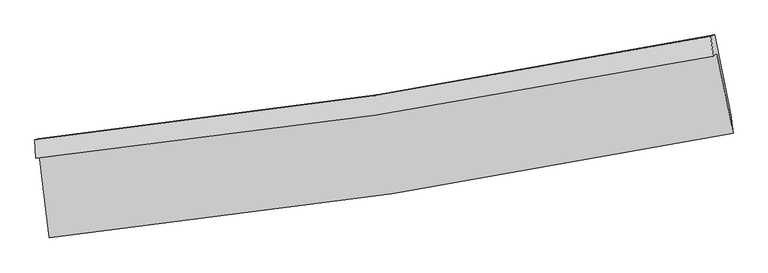
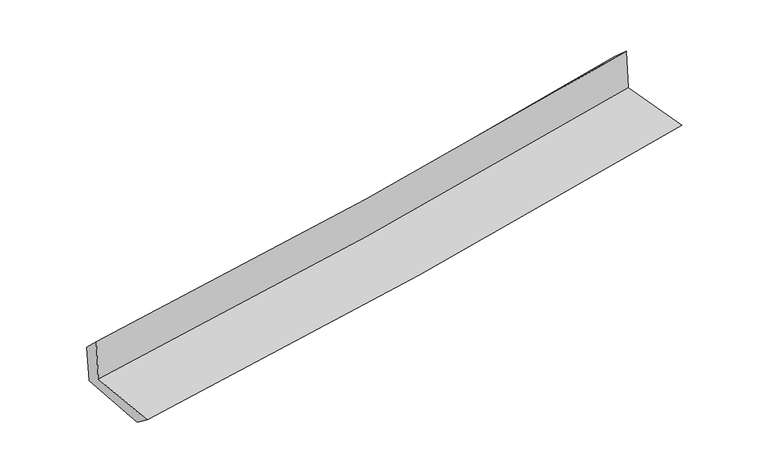
"""IFC4 building model written with IfcOpenShell, lengths in millimetres: proxy geometry."""

from ifc_helpers import new_model, si_unit, frame, origin, place, context, project, spatial, source, transform, mapped, element, save
from ifc_brep_helpers import plane_surface, spline_curve, spline_surface, advanced_brep


def generic_models_cc6fb18b(model_context):
    return source(origin(), model_context, "Body", "AdvancedBrep", [
        advanced_brep(
        [(-2806.5777434, -1893.0521562, 1656.043706), (-2726.9344835, -2567.8798611, 1623.0694672), (2884.3504211, -1713.5035097, 2124.6896485), (2751.2855618, -1057.1211502, 2152.4836396), (-2837.4478362, -1916.2949909, 2057.1542218), (2720.7755874, -1080.092843, 2548.9149568), (-2842.5582154, -1766.1236527, 1913.5551094), (2701.4424742, -916.140755, 2398.7349281), (-2813.8044958, -1755.8235583, 1555.4181107), (2732.2429797, -905.287326, 2026.2689577), (-2734.5892878, -2419.2529262, 1512.0250062), (2865.0090952, -1555.4415856, 1987.8467438)],
        [
            (0, 1),
            (1, 2, spline_curve(3, [(-2726.9344835, -2567.8798611, 1623.0694672), (-1787.358680758, -2470.609317594, 1715.891409316), (-850.786479284, -2350.941838064, 1804.038327543), (1019.66317461, -2066.308938529, 1971.278289089), (1953.519274479, -1901.184301234, 2050.338097741), (2884.3504211, -1713.5035097, 2124.6896485)], [4, 2, 4], [0.0, 9.288253744456116, 18.609463720823022])),
            (2, 3),
            (3, 0, spline_curve(3, [(2751.2855618, -1057.1211502, 2152.4836396), (1829.176757921, -1241.368745907, 2079.002314519), (904.141687444, -1403.237264396, 2000.810065833), (-948.500070021, -1681.722964914, 1835.296834864), (-1876.086101435, -1798.498115448, 1748.009105789), (-2806.5777434, -1893.0521562, 1656.043706)], [4, 2, 4], [0.0, 9.321209976366907, 18.609463720823022])),
            (4, 0),
            (3, 5),
            (5, 4, spline_curve(3, [(2720.7755874, -1080.092843, 2548.9149568), (1798.729035857, -1264.293567255, 2474.624755104), (873.694920314, -1426.161367026, 2396.420099754), (-979.067309342, -1704.737773849, 2232.472223395), (-1906.774334889, -1821.604023795, 2146.756634037), (-2837.4478362, -1916.2949909, 2057.1542218)], [4, 2, 4], [0.0, 9.275297935592688, 18.517801966683482])),
            (6, 4),
            (5, 7),
            (7, 6, spline_curve(3, [(2701.4424742, -916.140755, 2398.7349281), (1782.646960079, -1100.276650468, 2313.595067416), (860.424913677, -1263.264559678, 2230.525543477), (-987.599502885, -1546.442914226, 2068.813551455), (-1913.377686836, -1666.782637384, 1990.156468936), (-2842.5582154, -1766.1236527, 1913.5551094)], [4, 2, 4], [0.0, 9.264727640329086, 18.49669874867583])),
            (8, 6),
            (7, 9),
            (9, 8, spline_curve(3, [(2732.2429797, -905.287326, 2026.2689577), (1812.679017289, -1089.672312085, 1948.698530606), (889.902257368, -1252.830820587, 1870.605334926), (-958.802913003, -1536.193065858, 1713.651362642), (-1884.708644899, -1656.54663463, 1634.794275882), (-2813.8044958, -1755.8235583, 1555.4181107)], [4, 2, 4], [0.0, 9.255029959634156, 18.47733767457429])),
            (10, 8),
            (9, 11),
            (11, 10, spline_curve(3, [(2865.0090952, -1555.4415856, 1987.8467438), (1937.435216825, -1747.386139648, 1909.12506664), (1006.182195947, -1915.427919395, 1830.041555811), (-860.376568549, -2203.196309834, 1671.431755928), (-1795.656341939, -2323.091643624, 1591.90802084), (-2734.5892878, -2419.2529262, 1512.0250062)], [4, 2, 4], [0.0, 9.301452428852627, 18.570018480922663])),
            (1, 10),
            (11, 2),
        ],
        [
            spline_surface(3, 3, [[(-2806.5777434, -1893.0521562, 1656.043706), (-1876.086101372, -1798.498115311, 1748.009105733), (-948.500070025, -1681.722965014, 1835.296834839), (904.141687448, -1403.237264295, 2000.810065858), (1829.176757829, -1241.368745946, 2079.002314631), (2751.2855618, -1057.1211502, 2152.4836396)], [(-2780.029990107, -2117.994724498, 1645.052293071), (-1846.510294527, -2022.53518273, 1737.303206888), (-915.928873096, -1904.795922644, 1824.87733241), (942.648849844, -1624.261155753, 1990.96614024), (1870.624263406, -1461.307264376, 2069.447575678), (2795.640514888, -1275.915270046, 2143.218975919)], [(-2753.482236793, -2342.937292802, 1634.060880129), (-1816.934487661, -2246.572250155, 1726.59730803), (-883.357676202, -2127.868880285, 1814.457830019), (981.156012204, -1845.285047222, 1981.122214659), (1912.071769018, -1681.245782769, 2059.89283667), (2839.995468012, -1494.709389854, 2133.954312181)], [(-2726.9344835, -2567.8798611, 1623.0694672), (-1787.358680816, -2470.609317574, 1715.891409185), (-850.786479273, -2350.941837914, 1804.038327591), (1019.6631746, -2066.308938679, 1971.278289041), (1953.519274595, -1901.184301198, 2050.338097717), (2884.3504211, -1713.5035097, 2124.6896485)]], [4, 4], [4, 2, 4], [0.0, 2.215557578748262], [0.0, 9.288253744456116, 18.609463720823022]),
            spline_surface(3, 3, [[(-2837.4478362, -1916.2949909, 2057.1542218), (-1906.774334949, -1821.604023833, 2146.756633926), (-979.067309333, -1704.73777399, 2232.472223523), (873.694920304, -1426.161366884, 2396.420099625), (1798.729035855, -1264.293567399, 2474.624754997), (2720.7755874, -1080.092843, 2548.9149568)], [(-2827.157805255, -1908.547379354, 1923.45071654), (-1896.544923746, -1813.902054346, 2013.840791202), (-968.878229568, -1697.066171013, 2100.080427297), (883.843842681, -1418.519999369, 2264.550088372), (1808.878276511, -1256.651960244, 2342.750608194), (2730.945578864, -1072.435612063, 2416.771184385)], [(-2816.867774345, -1900.799767746, 1789.74721126), (-1886.315512576, -1806.200084797, 1880.924948457), (-958.689149791, -1689.394567991, 1967.688631064), (893.99276507, -1410.87863181, 2132.680077111), (1819.027517173, -1249.010353101, 2210.876461434), (2741.115570336, -1064.778381137, 2284.627412015)], [(-2806.5777434, -1893.0521562, 1656.043706), (-1876.086101372, -1798.498115311, 1748.009105733), (-948.500070025, -1681.722965014, 1835.296834839), (904.141687448, -1403.237264295, 2000.810065858), (1829.176757829, -1241.368745946, 2079.002314631), (2751.2855618, -1057.1211502, 2152.4836396)]], [4, 4], [4, 2, 4], [0.0, 1.3065128457188644], [0.0, 9.242504031090794, 18.517801966683482]),
            spline_surface(3, 3, [[(-2842.5582154, -1766.1236527, 1913.5551094), (-1913.377686761, -1666.782637519, 1990.156469013), (-987.599503037, -1546.442914231, 2068.813551328), (860.424913828, -1263.264559673, 2230.525543605), (1782.646959929, -1100.276650402, 2313.595067524), (2701.4424742, -916.140755, 2398.7349281)], [(-2840.854755666, -1816.18076542, 1961.421480197), (-1911.17656949, -1718.389766276, 2042.356523981), (-984.755438464, -1599.207867481, 2123.366442066), (864.848249325, -1317.563495407, 2285.823728951), (1788.0076519, -1154.948956071, 2367.271630028), (2707.886845263, -970.791451004, 2448.79493768)], [(-2839.151295934, -1866.23787818, 2009.287851003), (-1908.97545222, -1769.996895075, 2094.556578958), (-981.911373905, -1651.97282074, 2177.919332785), (869.271584808, -1371.86243115, 2341.121914279), (1793.368343884, -1209.621261729, 2420.948192493), (2714.331216337, -1025.442146996, 2498.85494722)], [(-2837.4478362, -1916.2949909, 2057.1542218), (-1906.774334949, -1821.604023833, 2146.756633926), (-979.067309333, -1704.73777399, 2232.472223523), (873.694920304, -1426.161366884, 2396.420099625), (1798.729035855, -1264.293567399, 2474.624754997), (2720.7755874, -1080.092843, 2548.9149568)]], [4, 4], [4, 2, 4], [0.0, 0.7557710190797577], [0.0, 9.231971108346743, 18.49669874867583]),
            spline_surface(3, 3, [[(-2813.8044958, -1755.8235583, 1555.4181107), (-1884.708644752, -1656.546634752, 1634.794275829), (-958.80291287, -1536.193065912, 1713.651362575), (889.902257235, -1252.830820533, 1870.605334994), (1812.67901721, -1089.672311951, 1948.698530578), (2732.2429797, -905.287326, 2026.2689577)], [(-2823.389069016, -1759.256923106, 1674.797110255), (-1894.264992105, -1659.95863568, 1753.248340212), (-968.401776263, -1539.609681998, 1832.038758846), (880.076476095, -1256.308733559, 1990.578737884), (1802.668331466, -1093.207091443, 2070.330709546), (2721.97614455, -908.905135675, 2150.424281153)], [(-2832.973642184, -1762.690287894, 1794.176109845), (-1903.821339408, -1663.370636591, 1871.70240463), (-978.000639644, -1543.026298145, 1950.426155057), (870.250694968, -1259.786646646, 2110.552140714), (1792.657645673, -1096.74187091, 2191.962888556), (2711.70930935, -912.522945325, 2274.579604647)], [(-2842.5582154, -1766.1236527, 1913.5551094), (-1913.377686761, -1666.782637519, 1990.156469013), (-987.599503037, -1546.442914231, 2068.813551328), (860.424913828, -1263.264559673, 2230.525543605), (1782.646959929, -1100.276650402, 2313.595067524), (2701.4424742, -916.140755, 2398.7349281)]], [4, 4], [4, 2, 4], [0.0, 1.1774410310606207], [0.0, 9.222307714940134, 18.47733767457429]),
            spline_surface(3, 3, [[(-2734.5892878, -2419.2529262, 1512.0250062), (-1795.656341922, -2323.091643534, 1591.908020723), (-860.376568508, -2203.196309707, 1671.431755903), (1006.182195906, -1915.427919523, 1830.041555836), (1937.435216842, -1747.386139779, 1909.125066562), (2865.0090952, -1555.4415856, 1987.8467438)], [(-2760.994357119, -2198.109803571, 1526.48937436), (-1825.340442851, -2100.909973945, 1606.203439085), (-893.185349966, -1980.861895119, 1685.504958103), (967.422216345, -1694.56221987, 1843.562815532), (1895.849816975, -1528.14819715, 1922.316221249), (2820.753723377, -1338.723499046, 2000.654148448)], [(-2787.399426481, -1976.966680929, 1540.95374254), (-1855.024543823, -1878.728304341, 1620.498857467), (-925.994131412, -1758.527480499, 1699.578160374), (928.662236795, -1473.696520185, 1857.084075298), (1854.264417077, -1308.910254581, 1935.507375892), (2776.498351523, -1122.005412554, 2013.461553052)], [(-2813.8044958, -1755.8235583, 1555.4181107), (-1884.708644752, -1656.546634752, 1634.794275829), (-958.80291287, -1536.193065912, 1713.651362575), (889.902257235, -1252.830820533, 1870.605334994), (1812.67901721, -1089.672311951, 1948.698530578), (2732.2429797, -905.287326, 2026.2689577)]], [4, 4], [4, 2, 4], [0.0, 2.2135177221435334], [0.0, 9.268566052070035, 18.570018480922663]),
            spline_surface(3, 3, [[(-2726.9344835, -2567.8798611, 1623.0694672), (-1787.358680816, -2470.609317574, 1715.891409185), (-850.786479273, -2350.941837914, 1804.038327591), (1019.6631746, -2066.308938679, 1971.278289041), (1953.519274595, -1901.184301198, 2050.338097717), (2884.3504211, -1713.5035097, 2124.6896485)], [(-2729.486084936, -2518.337549451, 1586.054646877), (-1790.124567854, -2421.436759545, 1674.563613042), (-853.98317569, -2301.693328513, 1759.836137035), (1015.169515031, -2016.015265628, 1924.19937798), (1948.157922003, -1849.918247391, 2003.267087315), (2877.903312458, -1660.816201666, 2079.075346916)], [(-2732.037686364, -2468.795237849, 1549.039826523), (-1792.890454884, -2372.264201564, 1633.235816867), (-857.179872092, -2252.444819108, 1715.633946458), (1010.675855475, -1965.721592573, 1877.120466897), (1942.796569435, -1798.652193586, 1956.196076965), (2871.456203842, -1608.128893634, 2033.461045384)], [(-2734.5892878, -2419.2529262, 1512.0250062), (-1795.656341922, -2323.091643534, 1591.908020723), (-860.376568508, -2203.196309707, 1671.431755903), (1006.182195906, -1915.427919523, 1830.041555836), (1937.435216842, -1747.386139779, 1909.125066562), (2865.0090952, -1555.4415856, 1987.8467438)]], [4, 4], [4, 2, 4], [0.0, 0.6657846534689713], [0.0, 9.323982149845195, 18.681047301782765]),
            plane_surface(frame((2775.8510199, -1204.5978616, 2206.4898124), z_axis=(0.977099942032691, 0.19442091081834664, 0.08646509536383121), x_axis=(-0.08237745060917856, -0.029028024064205706, 0.9961783622675511))),
            plane_surface(frame((-2793.6520104, -2053.0711909, 1719.5442702), z_axis=(-0.9901647579969765, -0.11281634872523882, -0.08274190885575838), x_axis=(-0.11706893412125949, 0.9919403129225278, 0.048469374483996464))),
        ],
        [
            (0, [[1, 2, 3, 4]]),
            (1, [[5, -4, 6, 7]]),
            (2, [[8, -7, 9, 10]]),
            (3, [[11, -10, 12, 13]]),
            (4, [[14, -13, 15, 16]]),
            (5, [[17, -16, 18, -2]]),
            (6, [[-12, -9, -6, -3, -18, -15]]),
            (7, [[-1, -5, -8, -11, -14, -17]]),
        ],
    ),
    ])


if __name__ == "__main__":
    model = new_model("IFC4")
    model_context = context("Model", 3, world=origin())
    ifc_project = project(units=[si_unit("LENGTHUNIT", "METRE", prefix="MILLI")], contexts=[model_context])
    site = spatial("IfcSite", under=ifc_project)
    building = spatial("IfcBuilding", under=site)
    placement = place(None, origin())
    generic_models_shape = generic_models_cc6fb18b(model_context)
    element("IfcBuildingElementProxy", 1, Name="Generic Models", at=placement, inside=building, context=model_context, shape_type="MappedRepresentation", body=[
        mapped(generic_models_shape, transform((0.0, 0.0, 0.0), x_axis=(1.0, 0.0, 0.0), y_axis=(0.0, 1.0, 0.0), z_axis=(0.0, 0.0, 1.0))),
    ])
    save(model, "model.ifc")
